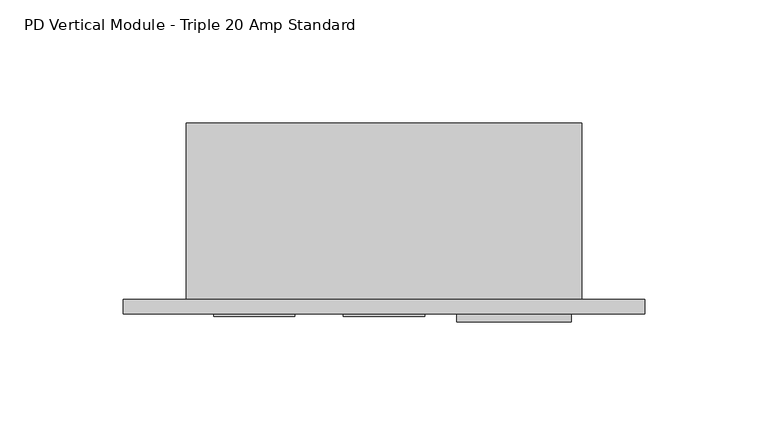
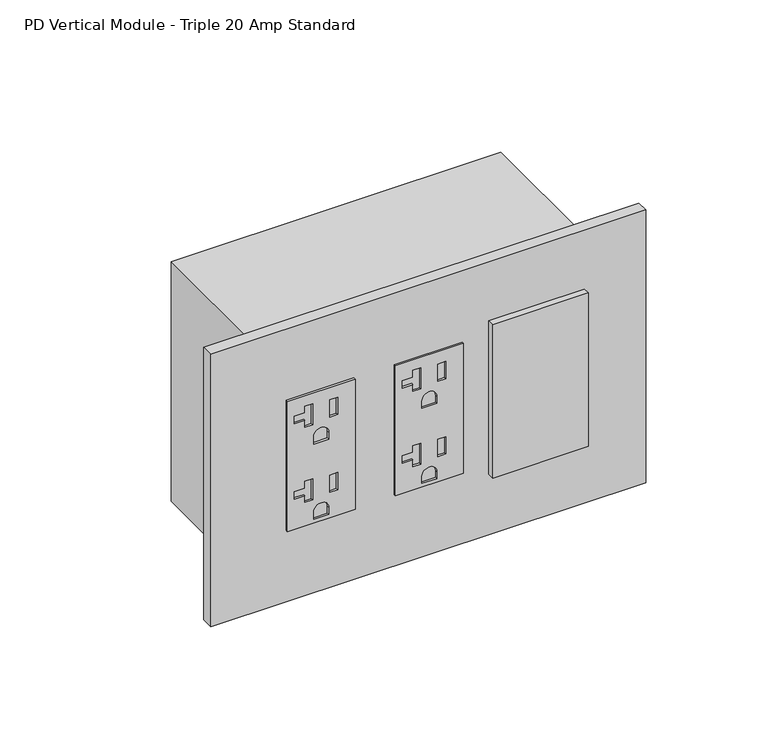
"""IFC4 building model written with IfcOpenShell, lengths in millimetres: proxy geometry, PD Vertical Module - Triple 20 Amp Standard."""

from ifc_helpers import new_model, si_unit, point, frame, frame_2d, origin, place, context, project, spatial, polyline, circle_curve, trimmed, segment, composite_curve, outline, extrude, source, transform, mapped, element, save


def pd_vertical_module_triple_20_amp_standard_33b3a22f(model_context):
    return source(origin(), model_context, "Body", "SweptSolid", [
        extrude(outline(polyline([(414.4772, 96.7613), (414.4772, 63.7667), (347.5228, 63.7667), (347.5228, 96.7613), (414.4772, 96.7613)]), holes=[polyline([(409.0924, 76.1111), (398.272, 76.1111), (398.272, 72.2757), (401.7518, 72.2757), (401.7518, 67.1703), (405.6126, 67.1703), (405.6126, 72.2757), (409.0924, 72.2757), (409.0924, 76.1111)]), polyline([(408.1145, 88.2777), (399.2499, 88.2777), (399.2499, 84.4423), (408.1145, 84.4423), (408.1145, 88.2777)]), composite_curve([segment(polyline([(388.0866, 83.8962), (388.0866, 76.6318), (391.7188, 76.6318)]), True, "CONTINUOUS"), segment(trimmed(circle_curve(frame_2d((391.7188, 80.264)), 3.6322), [point((391.7188, 76.6318))], [point((391.7188, 83.8962))], True, "CARTESIAN"), True, "CONTINUOUS"), segment(polyline([(391.7188, 83.8962), (388.0866, 83.8962)]), True, "CONTINUOUS")], self_intersect=False), polyline([(370.3574, 76.1111), (359.537, 76.1111), (359.537, 72.2757), (363.0168, 72.2757), (363.0168, 67.1703), (366.8776, 67.1703), (366.8776, 72.2757), (370.3574, 72.2757), (370.3574, 76.1111)]), polyline([(369.3795, 88.2777), (360.5149, 88.2777), (360.5149, 84.4423), (369.3795, 84.4423), (369.3795, 88.2777)]), composite_curve([segment(polyline([(349.3516, 83.8962), (349.3516, 76.6318), (352.9838, 76.6318)]), True, "CONTINUOUS"), segment(trimmed(circle_curve(frame_2d((352.9838, 80.264)), 3.6322), [point((352.9838, 76.6318))], [point((352.9838, 83.8962))], True, "CARTESIAN"), True, "CONTINUOUS"), segment(polyline([(352.9838, 83.8962), (349.3516, 83.8962)]), True, "CONTINUOUS")], self_intersect=False)]), frame((0.0, -6.9294746, 0.0), z_axis=(0.0, 1.0, 0.0), x_axis=(0.0, 0.0, 1.0)), (0.0, 0.0, 1.0), 1.0366746),
        extrude(outline(polyline([(414.4772, 44.0944), (414.4772, 11.0998), (347.5228, 11.0998), (347.5228, 44.0944), (414.4772, 44.0944)]), holes=[polyline([(409.0924, 23.4442), (398.272, 23.4442), (398.272, 19.6088), (401.7518, 19.6088), (401.7518, 14.5034), (405.6126, 14.5034), (405.6126, 19.6088), (409.0924, 19.6088), (409.0924, 23.4442)]), polyline([(408.1145, 35.6108), (399.2499, 35.6108), (399.2499, 31.7754), (408.1145, 31.7754), (408.1145, 35.6108)]), composite_curve([segment(polyline([(388.0866, 31.2293), (388.0866, 23.9649), (391.7188, 23.9649)]), True, "CONTINUOUS"), segment(trimmed(circle_curve(frame_2d((391.7188, 27.5971)), 3.6322), [point((391.7188, 23.9649))], [point((391.7188, 31.2293))], True, "CARTESIAN"), True, "CONTINUOUS"), segment(polyline([(391.7188, 31.2293), (388.0866, 31.2293)]), True, "CONTINUOUS")], self_intersect=False), polyline([(370.3574, 23.4442), (359.537, 23.4442), (359.537, 19.6088), (363.0168, 19.6088), (363.0168, 14.5034), (366.8776, 14.5034), (366.8776, 19.6088), (370.3574, 19.6088), (370.3574, 23.4442)]), polyline([(369.3795, 35.6108), (360.5149, 35.6108), (360.5149, 31.7754), (369.3795, 31.7754), (369.3795, 35.6108)]), composite_curve([segment(polyline([(349.3516, 31.2293), (349.3516, 23.9649), (352.9838, 23.9649)]), True, "CONTINUOUS"), segment(trimmed(circle_curve(frame_2d((352.9838, 27.5971)), 3.6322), [point((352.9838, 23.9649))], [point((352.9838, 31.2293))], True, "CARTESIAN"), True, "CONTINUOUS"), segment(polyline([(352.9838, 31.2293), (349.3516, 31.2293)]), True, "CONTINUOUS")], self_intersect=False)]), frame((0.0, -6.9294746, 0.0), z_axis=(0.0, 1.0, 0.0), x_axis=(0.0, 0.0, 1.0)), (0.0, 0.0, 1.0), 1.0366746),
        extrude(outline(polyline([(109.8296, -5.8928), (156.3624, -5.8928), (156.3624, -9.0678), (109.8296, -9.0678), (109.8296, -5.8928)])), frame((0.0, 0.0, 341.7922742), z_axis=(0.0, 0.0, 1.0), x_axis=(1.0, 0.0, 0.0)), (0.0, 0.0, 1.0), 79.0448),
        extrude(outline(polyline([(-25.6794, 0.0), (186.2074, 0.0), (186.2074, -5.8928), (-25.6794, -5.8928), (-25.6794, 0.0)])), frame((0.0, 0.0, 310.8198), z_axis=(0.0, 0.0, 1.0), x_axis=(1.0, 0.0, 0.0)), (0.0, 0.0, 1.0), 140.3604),
        extrude(outline(polyline([(160.528, 0.0), (0.0, 0.0), (0.0, 71.7296), (160.528, 71.7296), (160.528, 0.0)])), frame((0.0, 0.0, 319.2526), z_axis=(0.0, 0.0, 1.0), x_axis=(1.0, 0.0, 0.0)), (0.0, 0.0, 1.0), 123.4948),
    ])


if __name__ == "__main__":
    model = new_model("IFC4")
    model_context = context("Model", 3, world=origin())
    ifc_project = project(units=[si_unit("LENGTHUNIT", "METRE", prefix="MILLI")], contexts=[model_context])
    site = spatial("IfcSite", under=ifc_project)
    building = spatial("IfcBuilding", under=site)
    placement = place(None, origin())
    pd_vertical_module_triple_20_amp_standard_shape = pd_vertical_module_triple_20_amp_standard_33b3a22f(model_context)
    element("IfcBuildingElementProxy", 1, Name="PD Vertical Module - Triple 20 Amp Standard", ObjectType="PD Vertical Module - Triple 20 Amp Standard", at=placement, inside=building, context=model_context, shape_type="MappedRepresentation", body=[
        mapped(pd_vertical_module_triple_20_amp_standard_shape, transform((0.0, 0.0, 0.0), x_axis=(1.0, 0.0, 0.0), y_axis=(0.0, 1.0, 0.0), z_axis=(0.0, 0.0, 1.0))),
    ])
    save(model, "model.ifc")
